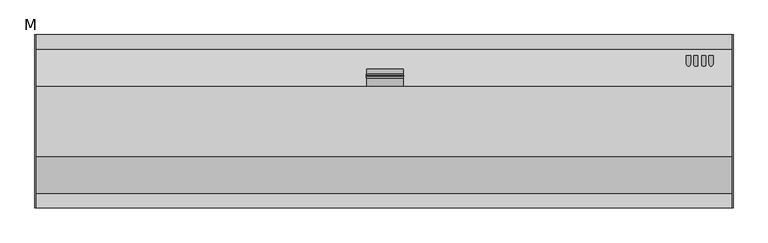
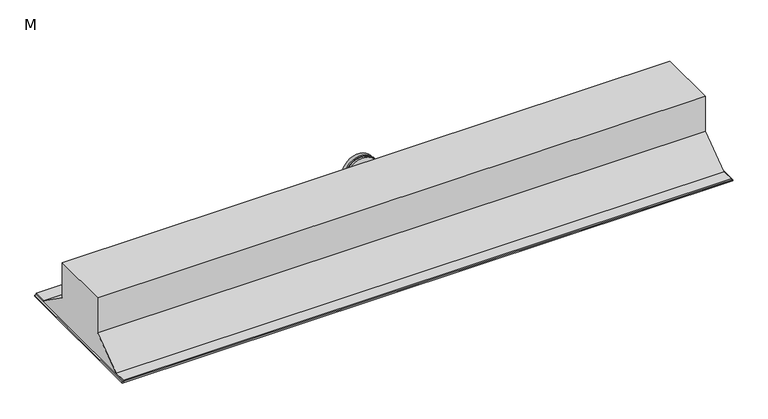
"""IFC4 building model written with IfcOpenShell, lengths in millimetres: proxy geometry, M."""

from ifc_helpers import new_model, si_unit, frame, origin, place, context, project, spatial, polyline, circle_curve, ellipse_curve, outline, extrude, faceted_brep, source, transform, mapped, element, save
from ifc_brep_helpers import plane_surface, cylinder_surface, advanced_brep


def m_4f4231fe(model_context):
    return source(origin(), model_context, "Body", "SolidModel", [
        extrude(outline(polyline([(7.5, -120.0), (7.5, 120.0), (2389.1537206, 120.0), (2389.1537206, -120.0), (7.5, -120.0)])), frame((0.0, 0.0, -2.5), z_axis=(0.0, 0.0, 1.0), x_axis=(1.0, 0.0, 0.0)), (0.0, 0.0, 1.0), 2.5),
        faceted_brep([(2394.1537206, -297.0, 5.0), (2394.1537206, -297.0, 0.0), (2394.1537206, 297.0, 0.0), (2394.1537206, 297.0, 5.0), (0.0, -297.0, 5.0), (0.0, 297.0, 5.0), (0.0, 297.0, 0.0), (0.0, -297.0, 0.0), (7.5, 241.0841661, 5.0), (2386.6537206, 241.0841661, 5.0), (2386.6537206, 120.0, 5.0), (7.5, 120.0, 5.0), (7.5, -120.0, 5.0), (2386.6537206, -120.0, 5.0), (2386.6537206, -241.0841661, 5.0), (7.5, -241.0841661, 5.0), (7.5, 120.0, 0.0), (2386.6537206, 120.0, 0.0), (2386.6537206, 248.1397217, 0.0), (7.5, 248.1397217, 0.0), (7.5, -248.1397217, 0.0), (2386.6537206, -248.1397217, 0.0), (2386.6537206, -120.0, 0.0), (7.5, -120.0, 0.0)], [[[0, 1, 2, 3]], [[4, 5, 6, 7]], [[3, 5, 4, 0], [8, 9, 10, 11], [12, 13, 14, 15]], [[2, 6, 5, 3]], [[1, 7, 6, 2], [16, 17, 18, 19], [20, 21, 22, 23]], [[0, 4, 7, 1]], [[8, 11, 16, 19]], [[12, 15, 20, 23]], [[10, 9, 18, 17]], [[14, 13, 22, 21]], [[11, 10, 17, 16]], [[19, 18, 9, 8]], [[15, 14, 21, 20]], [[23, 22, 13, 12]]]),
        advanced_brep(
        [(2233.5537206, 225.722679, 43.6769689), (2248.5537206, 225.722679, 43.6769689), (2248.5537206, 186.5066655, 43.6769689), (2233.5537206, 186.5066655, 43.6769689)],
        [
            (0, 1, circle_curve(frame((2241.0537206, 225.722679, 43.6769689), z_axis=(0.0, 1.0, 0.0), x_axis=(1.0, 0.0, 0.0)), 7.5)),
            (1, 0, circle_curve(frame((2241.0537206, 225.722679, 43.6769689), z_axis=(0.0, 1.0, 0.0), x_axis=(1.0, 0.0, 0.0)), 7.5)),
            (1, 2),
            (2, 3, ellipse_curve(frame((2241.0537206, 186.5066655, 43.6769689), z_axis=(0.0, 0.5781955761083721, 0.8158982018418154), x_axis=(0.0, 0.8158982018418153, -0.5781955761083721)), 12.9713895, 7.5)),
            (3, 0),
            (3, 2, ellipse_curve(frame((2241.0537206, 186.5066655, 43.6769689), z_axis=(0.0, 0.5781955761083721, 0.8158982018418154), x_axis=(0.0, 0.8158982018418153, -0.5781955761083721)), 12.9713895, 7.5)),
        ],
        [
            plane_surface(frame((2248.5537206, 225.722679, 43.6769689), z_axis=(0.0, 1.0, 0.0), x_axis=(0.0, 0.0, 1.0))),
            cylinder_surface(frame((2241.0537206, 120.0, 43.6769689), z_axis=(0.0, 1.0, 0.0), x_axis=(1.0, 0.0, 0.0)), 7.5),
            plane_surface(frame((7.5, 268.1666667, -14.1923232), z_axis=(0.0, -0.5781955761083721, -0.8158982018418154), x_axis=(1.0, 0.0, 0.0))),
        ],
        [
            (0, [[1, 2]]),
            (1, [[3, 4, 5, -2]]),
            (1, [[-5, 6, -3, -1]]),
            (2, [[-6, -4]]),
        ],
    ),
        advanced_brep(
        [(2258.7537206, 225.722679, 43.6769689), (2273.7537206, 225.722679, 43.6769689), (2273.7537206, 186.5066655, 43.6769689), (2258.7537206, 186.5066655, 43.6769689)],
        [
            (0, 1, circle_curve(frame((2266.2537206, 225.722679, 43.6769689), z_axis=(0.0, 1.0, 0.0), x_axis=(1.0, 0.0, 0.0)), 7.5)),
            (1, 0, circle_curve(frame((2266.2537206, 225.722679, 43.6769689), z_axis=(0.0, 1.0, 0.0), x_axis=(1.0, 0.0, 0.0)), 7.5)),
            (1, 2),
            (2, 3, ellipse_curve(frame((2266.2537206, 186.5066655, 43.6769689), z_axis=(0.0, 0.5781955761083721, 0.8158982018418154), x_axis=(0.0, 0.8158982018418153, -0.5781955761083721)), 12.9713895, 7.5)),
            (3, 0),
            (3, 2, ellipse_curve(frame((2266.2537206, 186.5066655, 43.6769689), z_axis=(0.0, 0.5781955761083721, 0.8158982018418154), x_axis=(0.0, 0.8158982018418153, -0.5781955761083721)), 12.9713895, 7.5)),
        ],
        [
            plane_surface(frame((2273.7537206, 225.722679, 43.6769689), z_axis=(0.0, 1.0, 0.0), x_axis=(0.0, 0.0, 1.0))),
            cylinder_surface(frame((2266.2537206, 120.0, 43.6769689), z_axis=(0.0, 1.0, 0.0), x_axis=(1.0, 0.0, 0.0)), 7.5),
            plane_surface(frame((7.5, 268.1666667, -14.1923232), z_axis=(0.0, -0.5781955761083721, -0.8158982018418154), x_axis=(1.0, 0.0, 0.0))),
        ],
        [
            (0, [[1, 2]]),
            (1, [[3, 4, 5, -2]]),
            (1, [[-5, 6, -3, -1]]),
            (2, [[-6, -4]]),
        ],
    ),
        advanced_brep(
        [(2286.0537206, 225.722679, 43.6343396), (2301.0537206, 225.722679, 43.6343396), (2301.0537206, 186.5668202, 43.6343396), (2286.0537206, 186.5668202, 43.6343396)],
        [
            (0, 1, circle_curve(frame((2293.5537206, 225.722679, 43.6343396), z_axis=(0.0, 1.0, 0.0), x_axis=(1.0, 0.0, 0.0)), 7.5)),
            (1, 0, circle_curve(frame((2293.5537206, 225.722679, 43.6343396), z_axis=(0.0, 1.0, 0.0), x_axis=(1.0, 0.0, 0.0)), 7.5)),
            (1, 2),
            (2, 3, ellipse_curve(frame((2293.5537206, 186.5668202, 43.6343396), z_axis=(0.0, 0.5781955761083721, 0.8158982018418154), x_axis=(0.0, 0.8158982018418153, -0.5781955761083721)), 12.9713895, 7.5)),
            (3, 0),
            (3, 2, ellipse_curve(frame((2293.5537206, 186.5668202, 43.6343396), z_axis=(0.0, 0.5781955761083721, 0.8158982018418154), x_axis=(0.0, 0.8158982018418153, -0.5781955761083721)), 12.9713895, 7.5)),
        ],
        [
            plane_surface(frame((2301.0537206, 225.722679, 43.6343396), z_axis=(0.0, 1.0, 0.0), x_axis=(0.0, 0.0, 1.0))),
            cylinder_surface(frame((2293.5537206, 120.0, 43.6343396), z_axis=(0.0, 1.0, 0.0), x_axis=(1.0, 0.0, 0.0)), 7.5),
            plane_surface(frame((7.5, 268.1666667, -14.1923232), z_axis=(0.0, -0.5781955761083721, -0.8158982018418154), x_axis=(1.0, 0.0, 0.0))),
        ],
        [
            (0, [[1, 2]]),
            (1, [[3, 4, 5, -2]]),
            (1, [[-5, 6, -3, -1]]),
            (2, [[-6, -4]]),
        ],
    ),
        advanced_brep(
        [(2311.2537206, 225.722679, 43.6343396), (2326.2537206, 225.722679, 43.6343396), (2326.2537206, 186.5668202, 43.6343396), (2311.2537206, 186.5668202, 43.6343396)],
        [
            (0, 1, circle_curve(frame((2318.7537206, 225.722679, 43.6343396), z_axis=(0.0, 1.0, 0.0), x_axis=(1.0, 0.0, 0.0)), 7.5)),
            (1, 0, circle_curve(frame((2318.7537206, 225.722679, 43.6343396), z_axis=(0.0, 1.0, 0.0), x_axis=(1.0, 0.0, 0.0)), 7.5)),
            (1, 2),
            (2, 3, ellipse_curve(frame((2318.7537206, 186.5668202, 43.6343396), z_axis=(0.0, 0.5781955761083721, 0.8158982018418154), x_axis=(0.0, 0.8158982018418153, -0.5781955761083721)), 12.9713895, 7.5)),
            (3, 0),
            (3, 2, ellipse_curve(frame((2318.7537206, 186.5668202, 43.6343396), z_axis=(0.0, 0.5781955761083721, 0.8158982018418154), x_axis=(0.0, 0.8158982018418153, -0.5781955761083721)), 12.9713895, 7.5)),
        ],
        [
            plane_surface(frame((2326.2537206, 225.722679, 43.6343396), z_axis=(0.0, 1.0, 0.0), x_axis=(0.0, 0.0, 1.0))),
            cylinder_surface(frame((2318.7537206, 120.0, 43.6343396), z_axis=(0.0, 1.0, 0.0), x_axis=(1.0, 0.0, 0.0)), 7.5),
            plane_surface(frame((7.5, 268.1666667, -14.1923232), z_axis=(0.0, -0.5781955761083721, -0.8158982018418154), x_axis=(1.0, 0.0, 0.0))),
        ],
        [
            (0, [[1, 2]]),
            (1, [[3, 4, 5, -2]]),
            (1, [[-5, 6, -3, -1]]),
            (2, [[-6, -4]]),
        ],
    ),
        faceted_brep([(5.0, -297.0, 10.0), (5.0, -247.0, 10.0), (5.0, -120.0, 100.0), (5.0, -120.0, 245.0), (5.0, 120.0, 245.0), (5.0, 120.0, 100.0), (5.0, 247.0, 10.0), (5.0, 297.0, 10.0), (5.0, 297.0, 5.0), (5.0, -297.0, 5.0), (2389.1537206, -297.0, 10.0), (2389.1537206, -297.0, 5.0), (2389.1537206, 297.0, 5.0), (2389.1537206, 297.0, 10.0), (2389.1537206, 247.0, 10.0), (2389.1537206, 120.0, 100.0), (2389.1537206, 120.0, 245.0), (2389.1537206, -120.0, 245.0), (2389.1537206, -120.0, 100.0), (2389.1537206, -247.0, 10.0), (7.5, 120.0, 5.0), (2386.6537206, 120.0, 5.0), (2386.6537206, 241.0841661, 5.0), (7.5, 241.0841661, 5.0), (7.5, -241.0841661, 5.0), (2386.6537206, -241.0841661, 5.0), (2386.6537206, -120.0, 5.0), (7.5, -120.0, 5.0), (7.5, 120.0, 90.8076768), (7.5, -120.0, 90.8076768), (2386.6537206, 120.0, 90.8076768), (2386.6537206, -120.0, 90.8076768)], [[[0, 1, 2, 3, 4, 5, 6, 7, 8, 9]], [[10, 11, 12, 13, 14, 15, 16, 17, 18, 19]], [[9, 11, 10, 0]], [[8, 12, 11, 9], [20, 21, 22, 23], [24, 25, 26, 27]], [[7, 13, 12, 8]], [[4, 16, 15, 5]], [[3, 17, 16, 4]], [[2, 18, 17, 3]], [[6, 14, 13, 7]], [[5, 15, 14, 6]], [[1, 19, 18, 2]], [[0, 10, 19, 1]], [[28, 20, 23]], [[29, 24, 27]], [[30, 22, 21]], [[31, 26, 25]], [[30, 21, 20, 28]], [[28, 23, 22, 30]], [[31, 25, 24, 29]], [[29, 27, 26, 31]]]),
        advanced_brep(
        [(1263.322231, 155.0862996, 180.0), (1263.322231, 148.5853933, 180.0), (1136.677769, 148.5853933, 180.0), (1136.677769, 155.0862996, 180.0), (1264.3238442, 156.3261656, 180.0), (1264.3238442, 155.0862996, 180.0), (1135.6761558, 155.0862996, 180.0), (1135.6761558, 156.3261656, 180.0), (1263.322231, 162.8797249, 180.0), (1263.322231, 156.3261656, 180.0), (1136.677769, 156.3261656, 180.0), (1136.677769, 162.8797249, 180.0), (1262.5, 162.8797249, 180.0), (1137.5, 162.8797249, 180.0), (1137.5, 148.5853933, 180.0), (1262.5, 148.5853933, 180.0), (1137.5, 178.8606092, 180.0), (1262.5, 178.8606092, 180.0), (1137.5, 120.0, 180.0), (1262.5, 120.0, 180.0)],
        [
            (0, 1),
            (1, 2, circle_curve(frame((1200.0, 148.5853933, 180.0), z_axis=(0.0, 1.0, 0.0), x_axis=(-1.0, 0.0, 0.0)), 63.322231)),
            (2, 3),
            (3, 0, circle_curve(frame((1200.0, 155.0862996, 180.0), z_axis=(0.0, -1.0, 0.0), x_axis=(-1.0, 0.0, 0.0)), 63.322231)),
            (4, 5),
            (5, 6, circle_curve(frame((1200.0, 155.0862996, 180.0), z_axis=(0.0, 1.0, 0.0), x_axis=(-1.0, 0.0, 0.0)), 64.3238442)),
            (6, 7),
            (7, 4, circle_curve(frame((1200.0, 156.3261656, 180.0), z_axis=(0.0, -1.0, 0.0), x_axis=(-1.0, 0.0, 0.0)), 64.3238442)),
            (8, 9),
            (9, 10, circle_curve(frame((1200.0, 156.3261656, 180.0), z_axis=(0.0, 1.0, 0.0), x_axis=(-1.0, 0.0, 0.0)), 63.322231)),
            (10, 11),
            (11, 8, circle_curve(frame((1200.0, 162.8797249, 180.0), z_axis=(0.0, -1.0, 0.0), x_axis=(-1.0, 0.0, 0.0)), 63.322231)),
            (2, 1, circle_curve(frame((1200.0, 148.5853933, 180.0), z_axis=(0.0, 1.0, 0.0), x_axis=(1.0, 0.0, 0.0)), 63.322231)),
            (0, 3, circle_curve(frame((1200.0, 155.0862996, 180.0), z_axis=(0.0, -1.0, 0.0), x_axis=(1.0, 0.0, 0.0)), 63.322231)),
            (5, 6, circle_curve(frame((1200.0, 155.0862996, 180.0), z_axis=(0.0, -1.0, 0.0), x_axis=(1.0, 0.0, 0.0)), 64.3238442)),
            (4, 7, circle_curve(frame((1200.0, 156.3261656, 180.0), z_axis=(0.0, -1.0, 0.0), x_axis=(1.0, 0.0, 0.0)), 64.3238442)),
            (9, 10, circle_curve(frame((1200.0, 156.3261656, 180.0), z_axis=(0.0, -1.0, 0.0), x_axis=(1.0, 0.0, 0.0)), 63.322231)),
            (8, 11, circle_curve(frame((1200.0, 162.8797249, 180.0), z_axis=(0.0, -1.0, 0.0), x_axis=(1.0, 0.0, 0.0)), 63.322231)),
            (12, 13, circle_curve(frame((1200.0, 162.8797249, 180.0), z_axis=(0.0, -1.0, 0.0), x_axis=(1.0, 0.0, 0.0)), 62.5)),
            (13, 12, circle_curve(frame((1200.0, 162.8797249, 180.0), z_axis=(0.0, -1.0, 0.0), x_axis=(1.0, 0.0, 0.0)), 62.5)),
            (14, 15, circle_curve(frame((1200.0, 148.5853933, 180.0), z_axis=(0.0, 1.0, 0.0), x_axis=(1.0, 0.0, 0.0)), 62.5)),
            (15, 14, circle_curve(frame((1200.0, 148.5853933, 180.0), z_axis=(0.0, 1.0, 0.0), x_axis=(1.0, 0.0, 0.0)), 62.5)),
            (16, 17, circle_curve(frame((1200.0, 178.8606092, 180.0), z_axis=(0.0, 1.0, 0.0), x_axis=(1.0, 0.0, 0.0)), 62.5)),
            (17, 16, circle_curve(frame((1200.0, 178.8606092, 180.0), z_axis=(0.0, 1.0, 0.0), x_axis=(1.0, 0.0, 0.0)), 62.5)),
            (18, 19, circle_curve(frame((1200.0, 120.0, 180.0), z_axis=(0.0, -1.0, 0.0), x_axis=(1.0, 0.0, 0.0)), 62.5)),
            (19, 18, circle_curve(frame((1200.0, 120.0, 180.0), z_axis=(0.0, -1.0, 0.0), x_axis=(1.0, 0.0, 0.0)), 62.5)),
            (17, 12),
            (13, 16),
            (18, 14),
            (15, 19),
        ],
        [
            cylinder_surface(frame((1200.0, 155.7325591, 180.0), z_axis=(0.0, 1.0, 0.0), x_axis=(-1.0, 0.0, 0.0)), 63.322231),
            cylinder_surface(frame((1200.0, 155.7325591, 180.0), z_axis=(0.0, 1.0, 0.0), x_axis=(-1.0, 0.0, 0.0)), 64.3238442),
            cylinder_surface(frame((1200.0, 155.7325591, 180.0), z_axis=(0.0, 1.0, 0.0), x_axis=(1.0, 0.0, 0.0)), 63.322231),
            plane_surface(frame((1200.0, 155.0862996, 180.0), z_axis=(0.0, -1.0, 0.0), x_axis=(1.0, 0.0, 0.0))),
            cylinder_surface(frame((1200.0, 155.7325591, 180.0), z_axis=(0.0, 1.0, 0.0), x_axis=(1.0, 0.0, 0.0)), 64.3238442),
            plane_surface(frame((1200.0, 156.3261656, 180.0), z_axis=(0.0, 1.0, 0.0), x_axis=(1.0, 0.0, 0.0))),
            plane_surface(frame((1200.0, 162.8797249, 180.0), z_axis=(0.0, 1.0, 0.0), x_axis=(1.0, 0.0, 0.0))),
            plane_surface(frame((1200.0, 148.5853933, 180.0), z_axis=(0.0, -1.0, 0.0), x_axis=(1.0, 0.0, 0.0))),
            plane_surface(frame((1262.5, 178.8606092, 180.0), z_axis=(0.0, 1.0, 0.0), x_axis=(0.0, 0.0, 1.0))),
            plane_surface(frame((1262.5, 120.0, 180.0), z_axis=(0.0, -1.0, 0.0), x_axis=(0.0, 0.0, -1.0))),
            cylinder_surface(frame((1200.0, 120.0, 180.0), z_axis=(0.0, 1.0, 0.0), x_axis=(1.0, 0.0, 0.0)), 62.5),
        ],
        [
            (0, [[1, 2, 3, 4]]),
            (1, [[5, 6, 7, 8]]),
            (0, [[9, 10, 11, 12]]),
            (2, [[13, -1, 14, -3]]),
            (3, [[15, -6], [-14, -4]]),
            (4, [[-15, -5, 16, -7]]),
            (5, [[-16, -8], [17, -10]]),
            (2, [[-17, -9, 18, -11]]),
            (6, [[-18, -12], [19, 20]]),
            (7, [[-13, -2], [21, 22]]),
            (8, [[23, 24]]),
            (9, [[25, 26]]),
            (10, [[27, -20, 28, -24]]),
            (10, [[29, -22, 30, -25]]),
            (10, [[-28, -19, -27, -23]]),
            (10, [[-30, -21, -29, -26]]),
        ],
    ),
    ])


if __name__ == "__main__":
    model = new_model("IFC4")
    model_context = context("Model", 3, world=origin())
    ifc_project = project(units=[si_unit("LENGTHUNIT", "METRE", prefix="MILLI")], contexts=[model_context])
    site = spatial("IfcSite", under=ifc_project)
    building = spatial("IfcBuilding", under=site)
    placement = place(None, origin())
    m_shape = m_4f4231fe(model_context)
    element("IfcBuildingElementProxy", 1, Name="M", ObjectType="M", at=placement, inside=building, context=model_context, shape_type="MappedRepresentation", body=[
        mapped(m_shape, transform((0.0, 0.0, 0.0), x_axis=(1.0, 0.0, 0.0), y_axis=(0.0, 1.0, 0.0), z_axis=(0.0, 0.0, 1.0))),
    ])
    save(model, "model.ifc")
